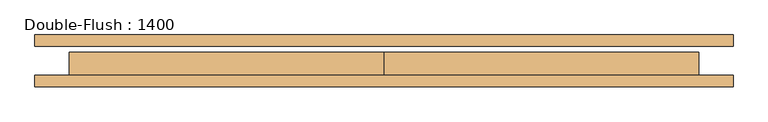
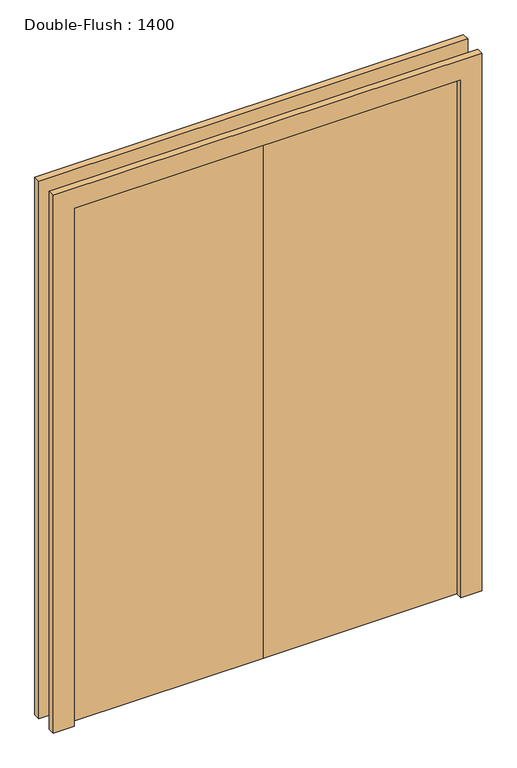
"""IFC4 building model written with IfcOpenShell, lengths in millimetres: door geometry, Double-Flush : 1400."""

from ifc_helpers import new_model, si_unit, frame, origin, origin_with_axes, place, context, project, spatial, polyline, outline, extrude, source, transform, mapped, element, save


def double_flush_1400_7f1472ea(model_context):
    return source(origin(), model_context, "Body", "SweptSolid", [
        extrude(outline(polyline([(0.0, -31.975), (0.0, 18.825), (700.0, 18.825), (700.0, -31.975), (0.0, -31.975)])), origin_with_axes(), (0.0, 0.0, 1.0), 1981.2),
        extrude(outline(polyline([(-700.0, -31.975), (-700.0, 18.825), (0.0, 18.825), (0.0, -31.975), (-700.0, -31.975)])), origin_with_axes(), (0.0, 0.0, 1.0), 1981.2),
        extrude(outline(polyline([(1981.2, -700.0), (1981.2, 700.0), (0.0, 700.0), (0.0, 776.2), (2057.4, 776.2), (2057.4, -776.2), (0.0, -776.2), (0.0, -700.0), (1981.2, -700.0)])), frame((0.0, 31.975, 0.0), z_axis=(0.0, 1.0, 0.0), x_axis=(0.0, 0.0, 1.0)), (0.0, 0.0, 1.0), 25.4),
        extrude(outline(polyline([(1981.2, -700.0), (1981.2, 700.0), (0.0, 700.0), (0.0, 776.2), (2057.4, 776.2), (2057.4, -776.2), (0.0, -776.2), (0.0, -700.0), (1981.2, -700.0)])), frame((0.0, -57.375, 0.0), z_axis=(0.0, 1.0, 0.0), x_axis=(0.0, 0.0, 1.0)), (0.0, 0.0, 1.0), 25.4),
    ])


if __name__ == "__main__":
    model = new_model("IFC4")
    model_context = context("Model", 3, world=origin())
    ifc_project = project(units=[si_unit("LENGTHUNIT", "METRE", prefix="MILLI")], contexts=[model_context])
    site = spatial("IfcSite", under=ifc_project)
    building = spatial("IfcBuilding", under=site)
    placement = place(None, origin())
    double_flush_1400_shape = double_flush_1400_7f1472ea(model_context)
    element("IfcDoor", 1, ObjectType="Double-Flush : 1400", at=placement, inside=building, context=model_context, shape_type="MappedRepresentation", body=[
        mapped(double_flush_1400_shape, transform((0.0, 0.0, 0.0), x_axis=(1.0, 0.0, 0.0), y_axis=(0.0, 1.0, 0.0), z_axis=(0.0, 0.0, 1.0))),
    ])
    save(model, "model.ifc")
